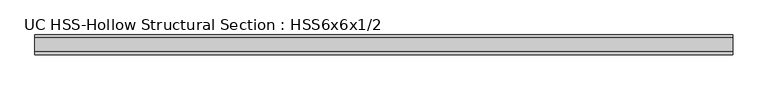
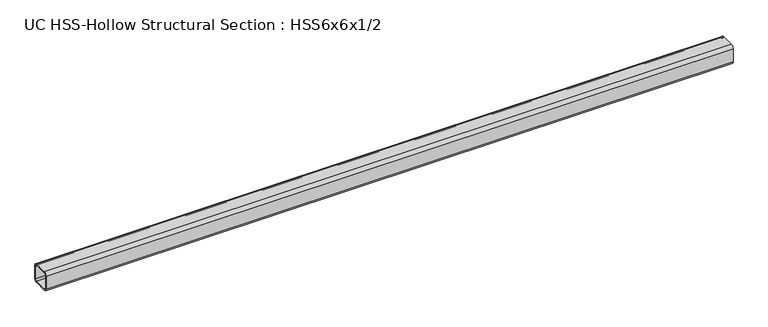
"""IFC4 building model written with IfcOpenShell, lengths in millimetres: member geometry, UC HSS-Hollow Structural Section : HSS6x6x1/2."""

from ifc_helpers import new_model, si_unit, point, frame, frame_2d, origin, place, context, project, spatial, polyline, circle_curve, trimmed, segment, composite_curve, outline, extrude, source, transform, mapped, element, save


def uc_hss_hollow_structural_section_hss6x6x1_2_250e30b0(model_context):
    return source(origin(), model_context, "Body", "SweptSolid", [
        extrude(outline(composite_curve([segment(trimmed(circle_curve(frame_2d((-52.578, 52.578)), 23.622), [point((-76.2, 52.578))], [point((-52.578, 76.2))], False, "CARTESIAN"), True, "CONTINUOUS"), segment(polyline([(-52.578, 76.2), (52.578, 76.2)]), True, "CONTINUOUS"), segment(trimmed(circle_curve(frame_2d((52.578, 52.578)), 23.622), [point((52.578, 76.2))], [point((76.2, 52.578))], False, "CARTESIAN"), True, "CONTINUOUS"), segment(polyline([(76.2, 52.578), (76.2, -52.578)]), True, "CONTINUOUS"), segment(trimmed(circle_curve(frame_2d((52.578, -52.578)), 23.622), [point((76.2, -52.578))], [point((52.578, -76.2))], False, "CARTESIAN"), True, "CONTINUOUS"), segment(polyline([(52.578, -76.2), (-52.578, -76.2)]), True, "CONTINUOUS"), segment(trimmed(circle_curve(frame_2d((-52.578, -52.578)), 23.622), [point((-52.578, -76.2))], [point((-76.2, -52.578))], False, "CARTESIAN"), True, "CONTINUOUS"), segment(polyline([(-76.2, -52.578), (-76.2, 52.578)]), True, "CONTINUOUS")], self_intersect=False), holes=[composite_curve([segment(polyline([(52.578, 64.389), (-52.578, 64.389)]), True, "CONTINUOUS"), segment(trimmed(circle_curve(frame_2d((-52.578, 52.578)), 11.811), [point((-52.578, 64.389))], [point((-64.389, 52.578))], True, "CARTESIAN"), True, "CONTINUOUS"), segment(polyline([(-64.389, 52.578), (-64.389, -52.578)]), True, "CONTINUOUS"), segment(trimmed(circle_curve(frame_2d((-52.578, -52.578)), 11.811), [point((-64.389, -52.578))], [point((-52.578, -64.389))], True, "CARTESIAN"), True, "CONTINUOUS"), segment(polyline([(-52.578, -64.389), (52.578, -64.389)]), True, "CONTINUOUS"), segment(trimmed(circle_curve(frame_2d((52.578, -52.578)), 11.811), [point((52.578, -64.389))], [point((64.389, -52.578))], True, "CARTESIAN"), True, "CONTINUOUS"), segment(polyline([(64.389, -52.578), (64.389, 52.578)]), True, "CONTINUOUS"), segment(trimmed(circle_curve(frame_2d((52.578, 52.578)), 11.811), [point((64.389, 52.578))], [point((52.578, 64.389))], True, "CARTESIAN"), True, "CONTINUOUS")], self_intersect=False)]), frame((-2535.5117309, 0.0, 0.0), z_axis=(1.0, 0.0, 0.0), x_axis=(0.0, 1.0, 0.0)), (0.0, 0.0, 1.0), 5392.2631367),
    ])


if __name__ == "__main__":
    model = new_model("IFC4")
    model_context = context("Model", 3, world=origin())
    ifc_project = project(units=[si_unit("LENGTHUNIT", "METRE", prefix="MILLI")], contexts=[model_context])
    site = spatial("IfcSite", under=ifc_project)
    building = spatial("IfcBuilding", under=site)
    placement = place(None, origin())
    uc_hss_hollow_structural_section_hss6x6x1_2_shape = uc_hss_hollow_structural_section_hss6x6x1_2_250e30b0(model_context)
    element("IfcMember", 1, ObjectType="UC HSS-Hollow Structural Section : HSS6x6x1/2", at=placement, inside=building, context=model_context, shape_type="MappedRepresentation", body=[
        mapped(uc_hss_hollow_structural_section_hss6x6x1_2_shape, transform((0.0, 0.0, 0.0), x_axis=(1.0, 0.0, 0.0), y_axis=(0.0, 1.0, 0.0), z_axis=(0.0, 0.0, 1.0))),
    ])
    save(model, "model.ifc")
